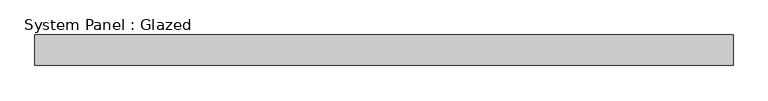
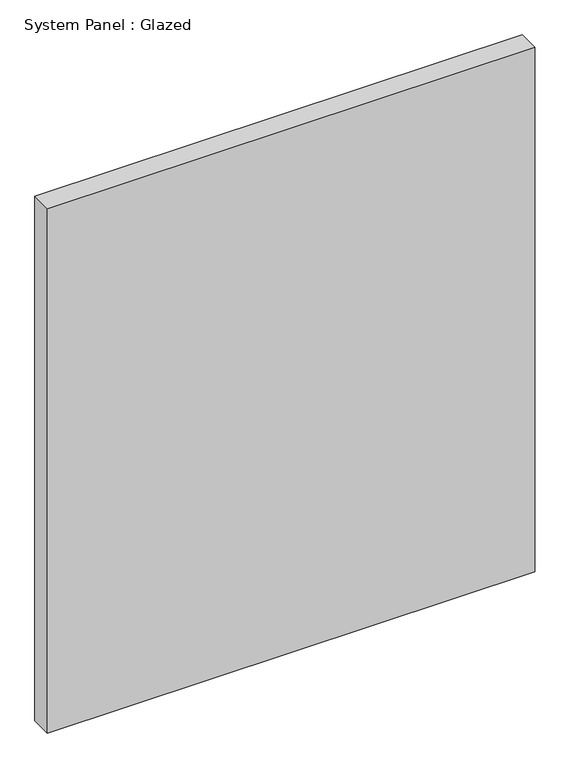
"""IFC4 building model written with IfcOpenShell, lengths in millimetres: plate geometry, System Panel : Glazed."""

from ifc_helpers import new_model, si_unit, origin, origin_with_axes, place, context, project, spatial, polyline, outline, extrude, source, transform, mapped, element, save


def system_panel_glazed_457b9f23(model_context):
    return source(origin(), model_context, "Body", "SweptSolid", [
        extrude(outline(polyline([(1142.5, -150.0), (-1142.5, -150.0), (-1142.5, -50.0), (1142.5, -50.0), (1142.5, -150.0)])), origin_with_axes(), (0.0, 0.0, 1.0), 2600.0),
    ])


if __name__ == "__main__":
    model = new_model("IFC4")
    model_context = context("Model", 3, world=origin())
    ifc_project = project(units=[si_unit("LENGTHUNIT", "METRE", prefix="MILLI")], contexts=[model_context])
    site = spatial("IfcSite", under=ifc_project)
    building = spatial("IfcBuilding", under=site)
    placement = place(None, origin())
    system_panel_glazed_shape = system_panel_glazed_457b9f23(model_context)
    element("IfcPlate", 1, ObjectType="System Panel : Glazed", at=placement, inside=building, context=model_context, shape_type="MappedRepresentation", body=[
        mapped(system_panel_glazed_shape, transform((0.0, 0.0, 0.0), x_axis=(1.0, 0.0, 0.0), y_axis=(0.0, 1.0, 0.0), z_axis=(0.0, 0.0, 1.0))),
    ])
    save(model, "model.ifc")
